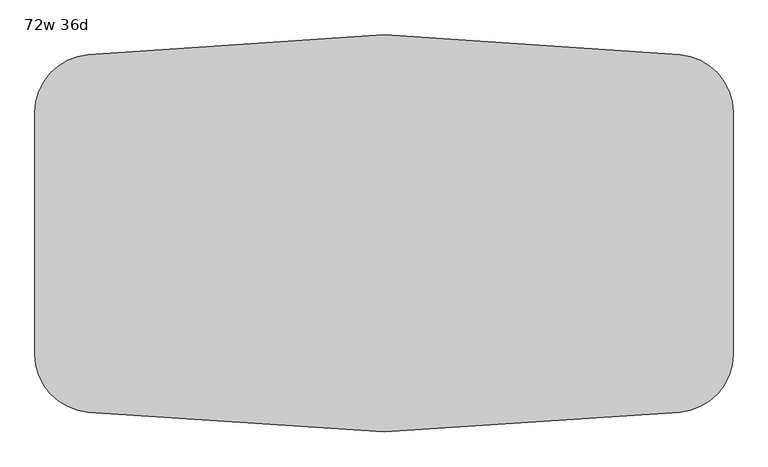
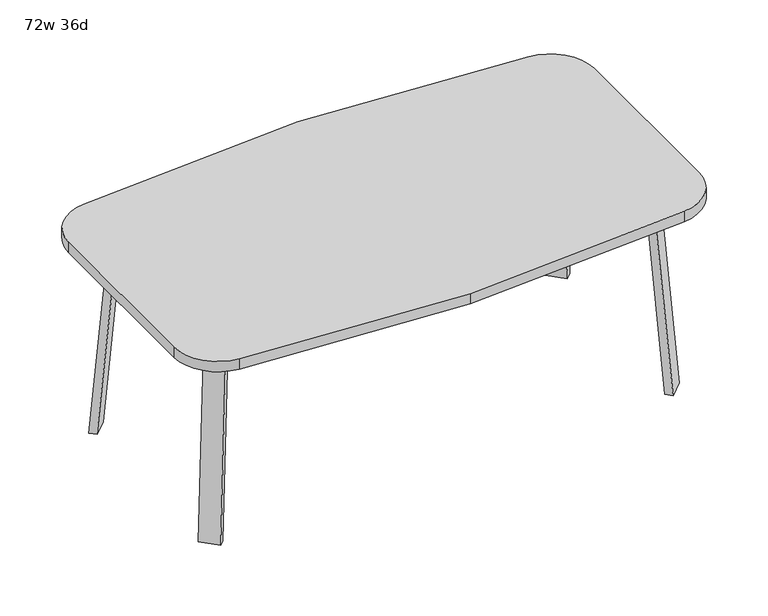
"""IFC4 building model written with IfcOpenShell, lengths in millimetres: furniture geometry, 72w 36d."""

import ifcopenshell
import ifcopenshell.guid

model = None  # the IFC model being written
_history = None  # IfcOwnerHistory: only IFC2X3 demands one
_inside = {}  # id of a spatial element -> (the spatial element, [elements in it])
_under = {}  # id of a project, library or spatial element -> (it, [spatial elements below it])
_declared = {}  # id of a project -> (the project, [libraries it declares])
_typed = {}  # id of a type object -> (the type object, [elements of that type])
_made_of = {}  # id of a material, layer set ... -> (it, [elements and type objects made of it])


def new_model(schema):
    """Start an empty IFC model of exactly this schema.

    Asked for "IFC4X3", IfcOpenShell would pick the latest addendum, in which some entities
    have other attributes; the version numbers below select the first issue.
    IFC2X3 requires an IfcOwnerHistory on every rooted entity: one is made here for all.
    """
    global model, _history
    if schema == "IFC4X3":
        model = ifcopenshell.file(schema_version=(4, 3, 0, 0))
    else:
        model = ifcopenshell.file(schema=schema)
    _inside.clear()
    _under.clear()
    _declared.clear()
    _typed.clear()
    _made_of.clear()
    _history = None
    if model.schema == "IFC2X3":
        org = make("IfcOrganization", Name="unknown")
        user = make(
            "IfcPersonAndOrganization",
            ThePerson=make("IfcPerson", FamilyName="unknown"),
            TheOrganization=org,
        )
        app = make(
            "IfcApplication",
            ApplicationDeveloper=org,
            Version="unknown",
            ApplicationFullName="unknown",
            ApplicationIdentifier="unknown",
        )
        _history = make(
            "IfcOwnerHistory",
            OwningUser=user,
            OwningApplication=app,
            ChangeAction="ADDED",
            CreationDate=0,
        )
    return model


def make(cls, **values):
    """One entity of the class cls with the attributes given. An attribute that is None is left unset."""
    return model.create_entity(
        cls, **{name: value for name, value in values.items() if value is not None}
    )


def rooted(cls, **values):
    """An entity with a GlobalId (a new one), such as an element, a storey or a relation."""
    return make(cls, GlobalId=ifcopenshell.guid.new(), OwnerHistory=_history, **values)


def si_unit(unit_type, name, prefix=None):
    """IfcSIUnit, for example si_unit("LENGTHUNIT", "METRE", prefix="MILLI")."""
    return make("IfcSIUnit", UnitType=unit_type, Prefix=prefix, Name=name)


def assignment(units):
    """IfcUnitAssignment: the units of a project."""
    return None if units is None else make("IfcUnitAssignment", Units=units)


def point(xyz):
    """IfcCartesianPoint."""
    return None if xyz is None else make("IfcCartesianPoint", Coordinates=xyz)


def direction(xyz):
    """IfcDirection."""
    return None if xyz is None else make("IfcDirection", DirectionRatios=xyz)


def frame(location, z_axis=None, x_axis=None):
    """IfcAxis2Placement3D, a coordinate frame: its origin and axes. An axis left out is left unset."""
    return make(
        "IfcAxis2Placement3D",
        Location=point(location),
        Axis=direction(z_axis),
        RefDirection=direction(x_axis),
    )


def frame_2d(location, x_axis=None):
    """IfcAxis2Placement2D, a coordinate frame in the plane: its origin and x axis."""
    return make(
        "IfcAxis2Placement2D", Location=point(location), RefDirection=direction(x_axis)
    )


def origin():
    """The frame at (0, 0, 0) with its axes left unset."""
    return frame((0.0, 0.0, 0.0))


def place(relative_to, where):
    """IfcLocalPlacement: puts the frame where relative to a parent placement (None: the world)."""
    return make(
        "IfcLocalPlacement", PlacementRelTo=relative_to, RelativePlacement=where
    )


def context(
    kind, dimensions, precision=None, world=None, true_north=None, identifier=None
):
    """IfcGeometricRepresentationContext, for example the 3D "Model" context."""
    return make(
        "IfcGeometricRepresentationContext",
        ContextIdentifier=identifier,
        ContextType=kind,
        CoordinateSpaceDimension=dimensions,
        Precision=precision,
        WorldCoordinateSystem=world,
        TrueNorth=true_north,
    )


def project(units=None, contexts=None):
    """IfcProject with its units and contexts."""
    return rooted(
        "IfcProject",
        Name="project",
        RepresentationContexts=contexts,
        UnitsInContext=assignment(units),
    )


def spatial(cls, under=None, at=None, **own):
    """A site, building, storey or space (cls), placed at a placement, below another one or the project."""
    s = rooted(cls, ObjectPlacement=at, **own)
    if under is not None:
        _under.setdefault(under.id(), (under, []))[1].append(s)
    return s


def polyline(points):
    """IfcPolyline through the points."""
    return make("IfcPolyline", Points=[point(p) for p in points])


def circle_curve(where, radius):
    """IfcCircle in the frame where."""
    return make("IfcCircle", Position=where, Radius=radius)


def trimmed(basis, trim1, trim2, sense, master):
    """IfcTrimmedCurve: the piece of a basis curve between two trims."""
    return make(
        "IfcTrimmedCurve",
        BasisCurve=basis,
        Trim1=trim1,
        Trim2=trim2,
        SenseAgreement=sense,
        MasterRepresentation=master,
    )


def segment(curve, same_sense, transition):
    """IfcCompositeCurveSegment."""
    return make(
        "IfcCompositeCurveSegment",
        Transition=transition,
        SameSense=same_sense,
        ParentCurve=curve,
    )


def composite_curve(segments, self_intersect=None):
    """IfcCompositeCurve: segments joined end to end."""
    return make("IfcCompositeCurve", Segments=segments, SelfIntersect=self_intersect)


def outline(outer, holes=None, kind="AREA"):
    """IfcArbitraryClosedProfileDef: a profile drawn as a closed curve; with holes, ...WithVoids."""
    if holes is None:
        return make("IfcArbitraryClosedProfileDef", ProfileType=kind, OuterCurve=outer)
    return make(
        "IfcArbitraryProfileDefWithVoids",
        ProfileType=kind,
        OuterCurve=outer,
        InnerCurves=holes,
    )


def extrude(swept, where, along, depth):
    """IfcExtrudedAreaSolid: the profile swept, set in the frame where, extruded along a direction by depth."""
    return make(
        "IfcExtrudedAreaSolid",
        SweptArea=swept,
        Position=where,
        ExtrudedDirection=direction(along),
        Depth=depth,
    )


def faces_of(points, faces, orient=None, outer=None):
    """IfcFace entities. A face is a list of loops; a loop is a list of indices into points, from 0.

    orient and outer hold one flag for each loop. By default every Orientation is true, the
    first loop of a face is its IfcFaceOuterBound and the others are IfcFaceBound.
    """
    made = []
    for i, loops in enumerate(faces):
        bounds = []
        for j, loop in enumerate(loops):
            is_outer = j == 0 if outer is None else outer[i][j]
            bounds.append(
                make(
                    "IfcFaceOuterBound" if is_outer else "IfcFaceBound",
                    Bound=make("IfcPolyLoop", Polygon=[points[k] for k in loop]),
                    Orientation=True if orient is None else orient[i][j],
                )
            )
        made.append(make("IfcFace", Bounds=bounds))
    return made


def faceted_brep(points, faces, orient=None, outer=None, voids=None):
    """IfcFacetedBrep: a solid bounded by flat faces; with voids (closed shells), ...WithVoids."""
    shared = [point(p) for p in points]
    hull = make("IfcClosedShell", CfsFaces=faces_of(shared, faces, orient, outer))
    if voids is None:
        return make("IfcFacetedBrep", Outer=hull)
    return make(
        "IfcFacetedBrepWithVoids",
        Outer=hull,
        Voids=[
            make(cls, CfsFaces=faces_of(shared, fs, o, b)) for cls, fs, o, b in voids
        ],
    )


def shape(context_of_items, identifier, shape_type, items):
    """IfcShapeRepresentation: the items that make up one representation, for example the "Body"."""
    return make(
        "IfcShapeRepresentation",
        ContextOfItems=context_of_items,
        RepresentationIdentifier=identifier,
        RepresentationType=shape_type,
        Items=items,
    )


def source(mapping_origin, context_of_items, identifier, shape_type, items):
    """IfcRepresentationMap: a shape defined once, which mapped items show again and again."""
    return make(
        "IfcRepresentationMap",
        MappingOrigin=mapping_origin,
        MappedRepresentation=shape(context_of_items, identifier, shape_type, items),
    )


def transform(
    local_origin,
    x_axis=None,
    y_axis=None,
    z_axis=None,
    scale=None,
    scale2=None,
    scale3=None,
    uniform=True,
):
    """IfcCartesianTransformationOperator3D, or its non-uniform kind. x_axis, y_axis, z_axis: its Axis1, 2, 3."""
    if uniform:
        return make(
            "IfcCartesianTransformationOperator3D",
            Axis1=direction(x_axis),
            Axis2=direction(y_axis),
            LocalOrigin=point(local_origin),
            Scale=scale,
            Axis3=direction(z_axis),
        )
    return make(
        "IfcCartesianTransformationOperator3DnonUniform",
        Axis1=direction(x_axis),
        Axis2=direction(y_axis),
        LocalOrigin=point(local_origin),
        Scale=scale,
        Axis3=direction(z_axis),
        Scale2=scale2,
        Scale3=scale3,
    )


def mapped(mapping_source, mapping_target):
    """IfcMappedItem: shows the shape of a source again, moved by a transform."""
    return make(
        "IfcMappedItem", MappingSource=mapping_source, MappingTarget=mapping_target
    )


def made_of(thing, what):
    """Note that an element or type object is made of a material, layer set ...; save() writes the relation."""
    if what is not None:
        _made_of.setdefault(what.id(), (what, []))[1].append(thing)
    return thing


def element(
    cls,
    number,
    at=None,
    inside=None,
    cuts=None,
    type_object=None,
    material=None,
    context=None,
    identifier="Body",
    shape_type=None,
    held_by="IfcProductDefinitionShape",
    body=None,
    shapes=None,
    **own,
):
    """One element of the class cls, such as IfcWall. Its Tag is "e" and its number.

    at: its placement. inside: the storey or other place that contains it. cuts: it is an
    opening in that element (IfcRelVoidsElement). A single representation is given by context,
    identifier, shape_type and body (its items); several are given by shapes. held_by: the class
    of the entity that holds the representations. save() writes the other relations.
    """
    e = rooted(cls, Tag="e%d" % number, ObjectPlacement=at, **own)
    if body is not None:
        shapes = [shape(context, identifier, shape_type, body)]
    if shapes is not None:
        e.Representation = make(held_by, Representations=shapes)
    if inside is not None:
        _inside.setdefault(inside.id(), (inside, []))[1].append(e)
    if cuts is not None:
        rooted(
            "IfcRelVoidsElement", RelatingBuildingElement=cuts, RelatedOpeningElement=e
        )
    if type_object is not None:
        _typed.setdefault(type_object.id(), (type_object, []))[1].append(e)
    return made_of(e, material)


def aggregate(whole, parts):
    """IfcRelAggregates: a whole, such as a stair, and the parts it consists of."""
    return rooted("IfcRelAggregates", RelatingObject=whole, RelatedObjects=parts)


def save(model, path):
    """Write the relations noted so far, then the file.

    IfcRelAggregates (storeys below a building ...), IfcRelContainedInSpatialStructure (elements
    in a storey), IfcRelDefinesByType, IfcRelAssociatesMaterial and IfcRelDeclares: one each for
    every whole, place, type object, material and project.
    """
    for whole, parts in _under.values():
        aggregate(whole, parts)
    for where, things in _inside.values():
        rooted(
            "IfcRelContainedInSpatialStructure",
            RelatedElements=things,
            RelatingStructure=where,
        )
    for kind, things in _typed.values():
        rooted("IfcRelDefinesByType", RelatedObjects=things, RelatingType=kind)
    for what, things in _made_of.values():
        rooted("IfcRelAssociatesMaterial", RelatedObjects=things, RelatingMaterial=what)
    for by, libraries in _declared.values():
        rooted("IfcRelDeclares", RelatingContext=by, RelatedDefinitions=libraries)
    model.write(path)


def furniture_72w_36d_2db62db3(model_context):
    return source(origin(), model_context, "Body", "SolidModel", [
        faceted_brep([(606.2753042, -274.0920519, 695.325), (645.7884312, -234.578925, 695.325), (700.9047531, -289.6952469, 695.325), (694.2631053, -296.3368947, 695.325), (633.2160726, -301.0328203, 695.325), (753.5368947, -237.0631053, 695.325), (747.6020849, -242.9979151, 695.325), (692.485763, -187.8815931, 695.325), (731.9988899, -148.3684662, 695.325), (758.9396583, -175.3092346, 695.325), (606.2753042, -274.0920519, 698.5), (633.2160726, -301.0328203, 698.5), (694.2631053, -296.3368947, 698.5), (753.5368947, -237.0631053, 698.5), (758.9396583, -175.3092346, 698.5), (731.9988899, -148.3684662, 698.5), (700.9047531, -289.6952469, 673.1), (747.6020849, -242.9979151, 673.1), (656.0034725, -244.7939663, 673.1), (702.7008043, -198.0966345, 673.1)], [[[0, 1, 2, 3, 4]], [[5, 6, 7, 8, 9]], [[10, 11, 12, 13, 14, 15]], [[4, 11, 10, 0]], [[3, 12, 11, 4]], [[12, 3, 2, 16, 17, 6, 5, 13]], [[9, 14, 13, 5]], [[8, 15, 14, 9]], [[15, 8, 7, 1, 0, 10]], [[2, 1, 18, 16]], [[7, 6, 17, 19]], [[18, 19, 17, 16]], [[1, 7, 19, 18]]]),
        extrude(outline(composite_curve([segment(polyline([(-698.9257667, 0.0), (-704.4601563, 63.2583633), (-679.156811, 65.4721192), (-677.172355, 42.7896831)]), True, "CONTINUOUS"), segment(trimmed(circle_curve(frame_2d((-658.194846, 44.45)), 19.05), [point((-677.172355, 42.7896831))], [point((-658.194846, 25.4))], True, "CARTESIAN"), True, "CONTINUOUS"), segment(polyline([(-658.194846, 25.4), (0.0201778, 25.4), (2.2423899, 0.0), (-698.9257667, 0.0)]), True, "CONTINUOUS")], self_intersect=False)), frame((787.1792647, -379.3706733, 2.2338569), z_axis=(0.7071067811865512, 0.707106781186544, 0.0), x_axis=(0.06162841671622733, -0.06162841671621349, -0.9961946980917454)), (0.0, 0.0, 1.0), 69.85),
        faceted_brep([(606.2753042, 274.0920519, 695.325), (633.2160726, 301.0328203, 695.325), (694.2631053, 296.3368947, 695.325), (700.9047531, 289.6952469, 695.325), (645.7884312, 234.578925, 695.325), (753.5368947, 237.0631053, 695.325), (758.9396583, 175.3092346, 695.325), (731.9988899, 148.3684662, 695.325), (692.485763, 187.8815931, 695.325), (747.6020849, 242.9979151, 695.325), (606.2753042, 274.0920519, 698.5), (731.9988899, 148.3684662, 698.5), (758.9396583, 175.3092346, 698.5), (753.5368947, 237.0631053, 698.5), (694.2631053, 296.3368947, 698.5), (633.2160726, 301.0328203, 698.5), (747.6020849, 242.9979151, 673.1), (700.9047531, 289.6952469, 673.1), (656.0034725, 244.7939663, 673.1), (702.7008043, 198.0966345, 673.1)], [[[0, 1, 2, 3, 4]], [[5, 6, 7, 8, 9]], [[10, 11, 12, 13, 14, 15]], [[1, 0, 10, 15]], [[2, 1, 15, 14]], [[14, 13, 5, 9, 16, 17, 3, 2]], [[6, 5, 13, 12]], [[7, 6, 12, 11]], [[11, 10, 0, 4, 8, 7]], [[3, 17, 18, 4]], [[8, 19, 16, 9]], [[18, 17, 16, 19]], [[4, 18, 19, 8]]]),
        extrude(outline(composite_curve([segment(polyline([(698.9257667, 0.0), (704.4601563, -63.2583633), (679.156811, -65.4721192), (677.172355, -42.7896831)]), True, "CONTINUOUS"), segment(trimmed(circle_curve(frame_2d((658.194846, -44.45)), 19.05), [point((677.172355, -42.7896831))], [point((658.194846, -25.4))], True, "CARTESIAN"), True, "CONTINUOUS"), segment(polyline([(658.194846, -25.4), (-0.0201778, -25.4), (-2.2423899, 0.0), (698.9257667, 0.0)]), True, "CONTINUOUS")], self_intersect=False)), frame((836.5706733, 329.9792647, 2.2338569), z_axis=(-0.7071067811865512, 0.707106781186544, 0.0), x_axis=(-0.06162841671622733, -0.06162841671621349, 0.9961946980917454)), (0.0, 0.0, 1.0), 69.85),
        faceted_brep([(-606.2753042, 274.0920519, 695.325), (-645.7884312, 234.578925, 695.325), (-700.9047531, 289.6952469, 695.325), (-694.2631053, 296.3368947, 695.325), (-633.2160726, 301.0328203, 695.325), (-753.5368947, 237.0631053, 695.325), (-747.6020849, 242.9979151, 695.325), (-692.485763, 187.8815931, 695.325), (-731.9988899, 148.3684662, 695.325), (-758.9396583, 175.3092346, 695.325), (-606.2753042, 274.0920519, 698.5), (-633.2160726, 301.0328203, 698.5), (-694.2631053, 296.3368947, 698.5), (-753.5368947, 237.0631053, 698.5), (-758.9396583, 175.3092346, 698.5), (-731.9988899, 148.3684662, 698.5), (-700.9047531, 289.6952469, 673.1), (-747.6020849, 242.9979151, 673.1), (-656.0034725, 244.7939663, 673.1), (-702.7008043, 198.0966345, 673.1)], [[[0, 1, 2, 3, 4]], [[5, 6, 7, 8, 9]], [[10, 11, 12, 13, 14, 15]], [[4, 11, 10, 0]], [[3, 12, 11, 4]], [[12, 3, 2, 16, 17, 6, 5, 13]], [[9, 14, 13, 5]], [[8, 15, 14, 9]], [[15, 8, 7, 1, 0, 10]], [[2, 1, 18, 16]], [[7, 6, 17, 19]], [[18, 19, 17, 16]], [[1, 7, 19, 18]]]),
        extrude(outline(composite_curve([segment(polyline([(698.9257667, 0.0), (-2.2423899, 0.0), (-0.0201778, 25.4), (658.194846, 25.4)]), True, "CONTINUOUS"), segment(trimmed(circle_curve(frame_2d((658.194846, 44.45)), 19.05), [point((658.194846, 25.4))], [point((677.172355, 42.7896831))], True, "CARTESIAN"), True, "CONTINUOUS"), segment(polyline([(677.172355, 42.7896831), (679.156811, 65.4721192), (704.4601563, 63.2583633), (698.9257667, 0.0)]), True, "CONTINUOUS")], self_intersect=False)), frame((-836.5706733, 329.9792647, 2.2338569), z_axis=(0.7071067811865512, 0.707106781186544, 0.0), x_axis=(0.06162841671622733, -0.06162841671621349, 0.9961946980917454)), (0.0, 0.0, 1.0), 69.85),
        faceted_brep([(-606.2753042, -274.0920519, 695.325), (-633.2160726, -301.0328203, 695.325), (-694.2631053, -296.3368947, 695.325), (-700.9047531, -289.6952469, 695.325), (-645.7884312, -234.578925, 695.325), (-753.5368947, -237.0631053, 695.325), (-758.9396583, -175.3092346, 695.325), (-731.9988899, -148.3684662, 695.325), (-692.485763, -187.8815931, 695.325), (-747.6020849, -242.9979151, 695.325), (-606.2753042, -274.0920519, 698.5), (-731.9988899, -148.3684662, 698.5), (-758.9396583, -175.3092346, 698.5), (-753.5368947, -237.0631053, 698.5), (-694.2631053, -296.3368947, 698.5), (-633.2160726, -301.0328203, 698.5), (-747.6020849, -242.9979151, 673.1), (-700.9047531, -289.6952469, 673.1), (-656.0034725, -244.7939663, 673.1), (-702.7008043, -198.0966345, 673.1)], [[[0, 1, 2, 3, 4]], [[5, 6, 7, 8, 9]], [[10, 11, 12, 13, 14, 15]], [[1, 0, 10, 15]], [[2, 1, 15, 14]], [[14, 13, 5, 9, 16, 17, 3, 2]], [[6, 5, 13, 12]], [[7, 6, 12, 11]], [[11, 10, 0, 4, 8, 7]], [[3, 17, 18, 4]], [[8, 19, 16, 9]], [[18, 17, 16, 19]], [[4, 18, 19, 8]]]),
        extrude(outline(composite_curve([segment(polyline([(-698.9257667, 0.0), (2.2423899, 0.0), (0.0201778, -25.4), (-658.194846, -25.4)]), True, "CONTINUOUS"), segment(trimmed(circle_curve(frame_2d((-658.194846, -44.45)), 19.05), [point((-658.194846, -25.4))], [point((-677.172355, -42.7896831))], True, "CARTESIAN"), True, "CONTINUOUS"), segment(polyline([(-677.172355, -42.7896831), (-679.156811, -65.4721192), (-704.4601563, -63.2583633), (-698.9257667, 0.0)]), True, "CONTINUOUS")], self_intersect=False)), frame((-787.1792647, -379.3706733, 2.2338569), z_axis=(-0.7071067811865512, 0.707106781186544, 0.0), x_axis=(-0.06162841671622733, -0.06162841671621349, -0.9961946980917454)), (0.0, 0.0, 1.0), 69.85),
        extrude(outline(composite_curve([segment(trimmed(circle_curve(frame_2d((-762.0, 316.9717488)), 152.4), [point((-914.4, 316.9717488))], [point((-774.6561311, 468.8453224))], False, "CARTESIAN"), True, "CONTINUOUS"), segment(polyline([(-774.6561311, 468.8453224), (0.0, 520.7), (774.6561311, 468.8453224)]), True, "CONTINUOUS"), segment(trimmed(circle_curve(frame_2d((762.0, 316.9717488)), 152.4), [point((774.6561311, 468.8453224))], [point((914.4, 316.9717488))], False, "CARTESIAN"), True, "CONTINUOUS"), segment(polyline([(914.4, 316.9717488), (914.4, -316.9717488)]), True, "CONTINUOUS"), segment(trimmed(circle_curve(frame_2d((762.0, -316.9717488)), 152.4), [point((914.4, -316.9717488))], [point((774.6561311, -468.8453224))], False, "CARTESIAN"), True, "CONTINUOUS"), segment(polyline([(774.6561311, -468.8453224), (0.0, -520.7), (-774.6561311, -468.8453224)]), True, "CONTINUOUS"), segment(trimmed(circle_curve(frame_2d((-762.0, -316.9717488)), 152.4), [point((-774.6561311, -468.8453224))], [point((-914.4, -316.9717488))], False, "CARTESIAN"), True, "CONTINUOUS"), segment(polyline([(-914.4, -316.9717488), (-914.4, 316.9717488)]), True, "CONTINUOUS")], self_intersect=False)), frame((0.0, 0.0, 698.5), z_axis=(0.0, 0.0, 1.0), x_axis=(1.0, 0.0, 0.0)), (0.0, 0.0, 1.0), 38.1),
    ])


if __name__ == "__main__":
    model = new_model("IFC4")
    model_context = context("Model", 3, world=origin())
    ifc_project = project(units=[si_unit("LENGTHUNIT", "METRE", prefix="MILLI")], contexts=[model_context])
    site = spatial("IfcSite", under=ifc_project)
    building = spatial("IfcBuilding", under=site)
    placement = place(None, origin())
    furniture_72w_36d_shape = furniture_72w_36d_2db62db3(model_context)
    element("IfcFurniture", 1, ObjectType="72w 36d", at=placement, inside=building, context=model_context, shape_type="MappedRepresentation", body=[
        mapped(furniture_72w_36d_shape, transform((0.0, 0.0, 0.0), x_axis=(1.0, 0.0, 0.0), y_axis=(0.0, 1.0, 0.0), z_axis=(0.0, 0.0, 1.0))),
    ])
    save(model, "model.ifc")
